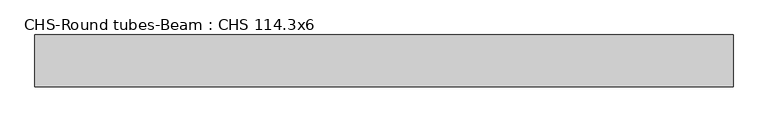
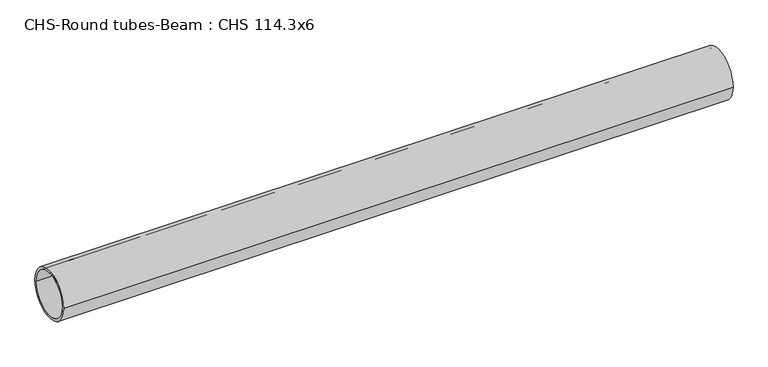
"""IFC4 building model written with IfcOpenShell, lengths in millimetres: beam geometry, CHS-Round tubes-Beam : CHS 114.3x6."""

from ifc_helpers import new_model, si_unit, point, frame, origin, origin_2d, place, context, project, spatial, circle_curve, trimmed, segment, composite_curve, outline, extrude, source, transform, mapped, element, save


def chs_round_tubes_beam_chs_114_3x6_69a95c37(model_context):
    return source(origin(), model_context, "Body", "SweptSolid", [
        extrude(outline(composite_curve([segment(trimmed(circle_curve(origin_2d(), 57.15), [point((57.15, 0.0))], [point((-57.15, 0.0))], False, "CARTESIAN"), True, "CONTINUOUS"), segment(trimmed(circle_curve(origin_2d(), 57.15), [point((-57.15, 0.0))], [point((57.15, 0.0))], False, "CARTESIAN"), True, "CONTINUOUS")], self_intersect=False), holes=[composite_curve([segment(trimmed(circle_curve(origin_2d(), 51.15), [point((51.15, 0.0))], [point((-51.15, 0.0))], True, "CARTESIAN"), True, "CONTINUOUS"), segment(trimmed(circle_curve(origin_2d(), 51.15), [point((-51.15, 0.0))], [point((51.15, 0.0))], True, "CARTESIAN"), True, "CONTINUOUS")], self_intersect=False)]), frame((-759.6273166, 0.0, 0.0), z_axis=(1.0, 0.0, 0.0), x_axis=(0.0, 1.0, 0.0)), (0.0, 0.0, 1.0), 1533.1142834),
    ])


if __name__ == "__main__":
    model = new_model("IFC4")
    model_context = context("Model", 3, world=origin())
    ifc_project = project(units=[si_unit("LENGTHUNIT", "METRE", prefix="MILLI")], contexts=[model_context])
    site = spatial("IfcSite", under=ifc_project)
    building = spatial("IfcBuilding", under=site)
    placement = place(None, origin())
    chs_round_tubes_beam_chs_114_3x6_shape = chs_round_tubes_beam_chs_114_3x6_69a95c37(model_context)
    element("IfcBeam", 1, ObjectType="CHS-Round tubes-Beam : CHS 114.3x6", at=placement, inside=building, context=model_context, shape_type="MappedRepresentation", body=[
        mapped(chs_round_tubes_beam_chs_114_3x6_shape, transform((0.0, 0.0, 0.0), x_axis=(1.0, 0.0, 0.0), y_axis=(0.0, 1.0, 0.0), z_axis=(0.0, 0.0, 1.0))),
    ])
    save(model, "model.ifc")
